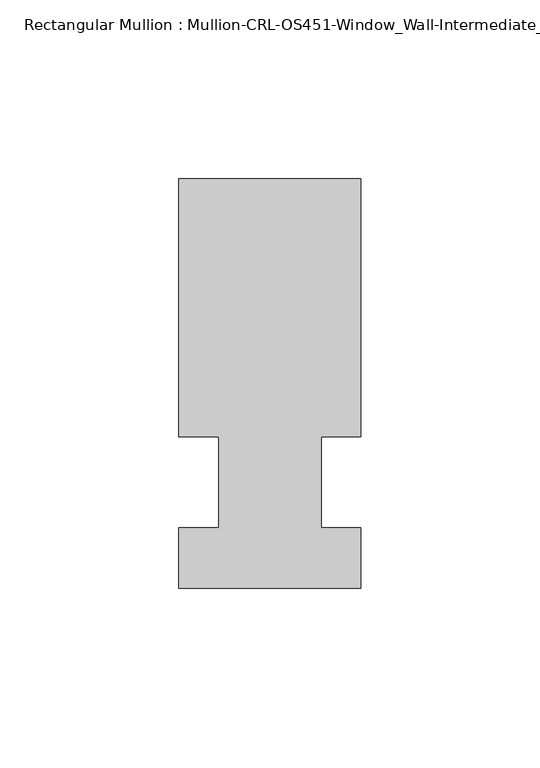
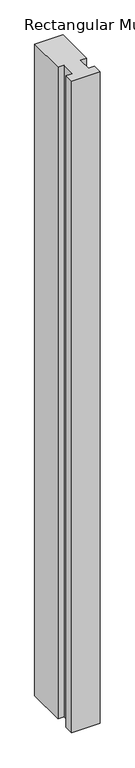
"""IFC4 building model written with IfcOpenShell, lengths in millimetres: member geometry, Rectangular Mullion : Mullion-CRL-OS451-Window_Wall-Intermediate_Horizontal-int."""

from ifc_helpers import new_model, si_unit, frame, origin, place, context, project, spatial, polyline, outline, extrude, source, transform, mapped, element, save


def rectangular_mullion_mullion_crl_os451_window_wall_ea168ca6(model_context):
    return source(origin(), model_context, "Body", "SweptSolid", [
        extrude(outline(polyline([(-25.4, -12.7), (-14.2786274, -12.7), (-14.2786274, 12.7), (-25.4, 12.7), (-25.4, 84.7104821), (25.4, 84.7104821), (25.4, 12.7), (14.3002899, 12.7), (14.3002899, -12.7), (25.4, -12.7), (25.4, -29.6013756), (-25.4, -29.6013756), (-25.4, -12.7)])), frame((0.0, 0.0, -1229.7833332), z_axis=(0.0, 0.0, 1.0), x_axis=(1.0, 0.0, 0.0)), (0.0, 0.0, 1.0), 1229.7833332),
    ])


if __name__ == "__main__":
    model = new_model("IFC4")
    model_context = context("Model", 3, world=origin())
    ifc_project = project(units=[si_unit("LENGTHUNIT", "METRE", prefix="MILLI")], contexts=[model_context])
    site = spatial("IfcSite", under=ifc_project)
    building = spatial("IfcBuilding", under=site)
    placement = place(None, origin())
    rectangular_mullion_mullion_crl_os451_window_wall_shape = rectangular_mullion_mullion_crl_os451_window_wall_ea168ca6(model_context)
    element("IfcMember", 1, ObjectType="Rectangular Mullion : Mullion-CRL-OS451-Window_Wall-Intermediate_Horizontal-int", at=placement, inside=building, context=model_context, shape_type="MappedRepresentation", body=[
        mapped(rectangular_mullion_mullion_crl_os451_window_wall_shape, transform((0.0, 0.0, 0.0), x_axis=(1.0, 0.0, 0.0), y_axis=(0.0, 1.0, 0.0), z_axis=(0.0, 0.0, 1.0))),
    ])
    save(model, "model.ifc")
